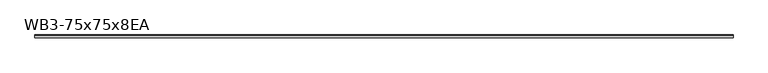
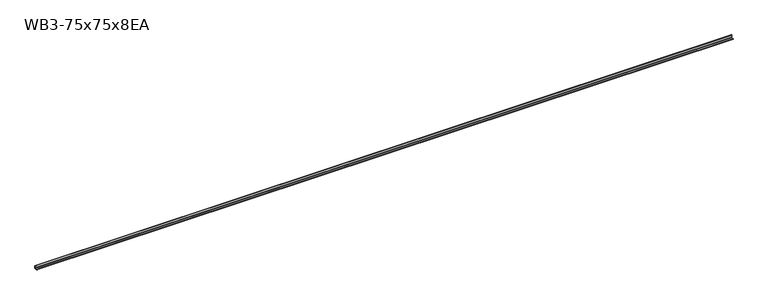
"""IFC4 building model written with IfcOpenShell, lengths in millimetres: beam geometry, WB3-75x75x8EA."""

from ifc_helpers import new_model, si_unit, point, frame, frame_2d, origin, place, context, project, spatial, polyline, circle_curve, trimmed, segment, composite_curve, outline, extrude, source, transform, mapped, element, save


def wb3_75x75x8ea_2566ee9b(model_context):
    return source(origin(), model_context, "Body", "SweptSolid", [
        extrude(outline(composite_curve([segment(polyline([(21.3, -21.3), (-53.7, -21.3), (-53.7, -18.3)]), True, "CONTINUOUS"), segment(trimmed(circle_curve(frame_2d((-48.7, -18.3)), 5.0), [point((-53.7, -18.3))], [point((-48.7, -13.3))], False, "CARTESIAN"), True, "CONTINUOUS"), segment(polyline([(-48.7, -13.3), (5.3, -13.3)]), True, "CONTINUOUS"), segment(trimmed(circle_curve(frame_2d((5.3, -5.3)), 8.0), [point((5.3, -13.3))], [point((13.3, -5.3))], True, "CARTESIAN"), True, "CONTINUOUS"), segment(polyline([(13.3, -5.3), (13.3, 48.7)]), True, "CONTINUOUS"), segment(trimmed(circle_curve(frame_2d((18.3, 48.7)), 5.0), [point((13.3, 48.7))], [point((18.3, 53.7))], False, "CARTESIAN"), True, "CONTINUOUS"), segment(polyline([(18.3, 53.7), (21.3, 53.7), (21.3, -21.3)]), True, "CONTINUOUS")], self_intersect=False)), frame((-9245.0, 0.0, 0.0), z_axis=(1.0, 0.0, 0.0), x_axis=(0.0, 1.0, 0.0)), (0.0, 0.0, 1.0), 18475.0),
    ])


if __name__ == "__main__":
    model = new_model("IFC4")
    model_context = context("Model", 3, world=origin())
    ifc_project = project(units=[si_unit("LENGTHUNIT", "METRE", prefix="MILLI")], contexts=[model_context])
    site = spatial("IfcSite", under=ifc_project)
    building = spatial("IfcBuilding", under=site)
    placement = place(None, origin())
    wb3_75x75x8ea_shape = wb3_75x75x8ea_2566ee9b(model_context)
    element("IfcBeam", 1, ObjectType="WB3-75x75x8EA", at=placement, inside=building, context=model_context, shape_type="MappedRepresentation", body=[
        mapped(wb3_75x75x8ea_shape, transform((0.0, 0.0, 0.0), x_axis=(1.0, 0.0, 0.0), y_axis=(0.0, 1.0, 0.0), z_axis=(0.0, 0.0, 1.0))),
    ])
    save(model, "model.ifc")
